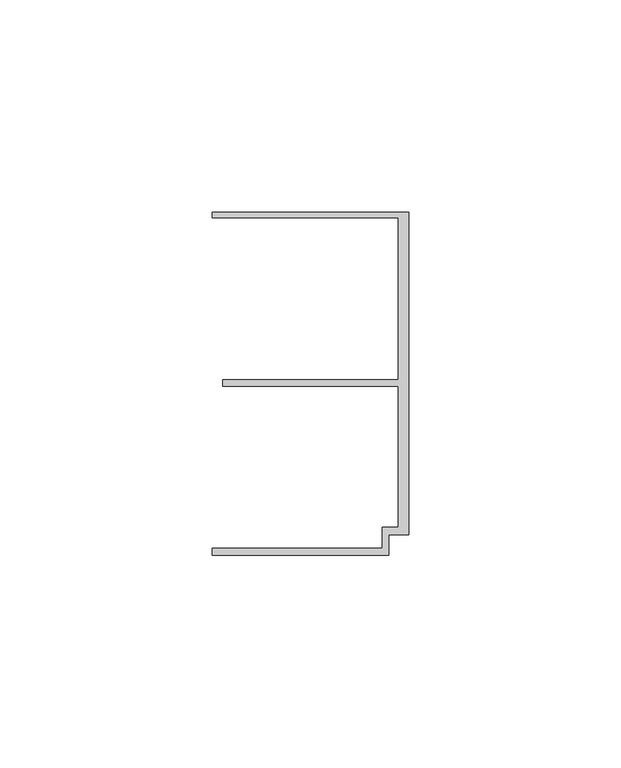
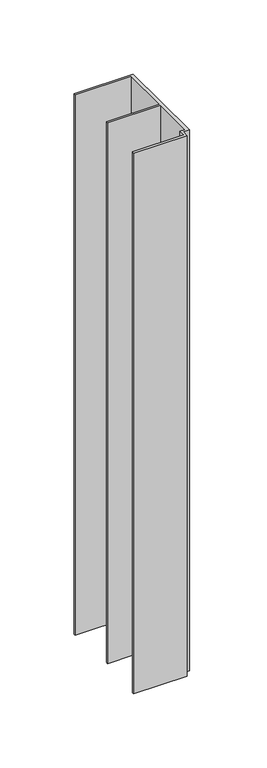
"""IFC4 building model written with IfcOpenShell, lengths in millimetres: member geometry."""

from ifc_helpers import new_model, si_unit, frame, origin, place, context, project, spatial, polyline, outline, extrude, source, transform, mapped, element, save


def member_6fd941a3(model_context):
    return source(origin(), model_context, "Body", "SweptSolid", [
        extrude(outline(polyline([(-6.2, -33.95), (-2.4, -33.95), (-2.4, -0.75), (-43.8, -0.75), (-43.8, 0.75), (-2.4, 0.75), (-2.4, 38.95), (-46.3, 38.95), (-46.3, 40.25), (0.0, 40.25), (0.0, -35.75), (-4.6999992, -35.75), (-4.6999992, -40.65), (-46.3, -40.65), (-46.3, -38.95), (-6.2, -38.95), (-6.2, -33.95)])), frame((0.0, 0.0, -445.6751955), z_axis=(0.0, 0.0, 1.0), x_axis=(1.0, 0.0, 0.0)), (0.0, 0.0, 1.0), 445.6751955),
    ])


if __name__ == "__main__":
    model = new_model("IFC4")
    model_context = context("Model", 3, world=origin())
    ifc_project = project(units=[si_unit("LENGTHUNIT", "METRE", prefix="MILLI")], contexts=[model_context])
    site = spatial("IfcSite", under=ifc_project)
    building = spatial("IfcBuilding", under=site)
    placement = place(None, origin())
    member_shape = member_6fd941a3(model_context)
    element("IfcMember", 1, at=placement, inside=building, context=model_context, shape_type="MappedRepresentation", body=[
        mapped(member_shape, transform((0.0, 0.0, 0.0), x_axis=(1.0, 0.0, 0.0), y_axis=(0.0, 1.0, 0.0), z_axis=(0.0, 0.0, 1.0))),
    ])
    save(model, "model.ifc")
